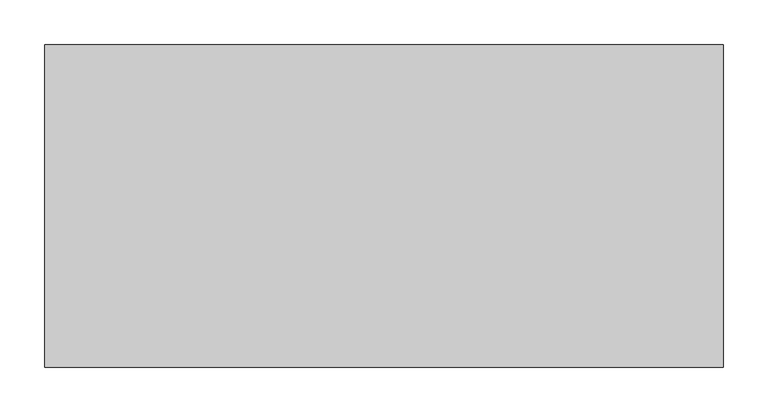
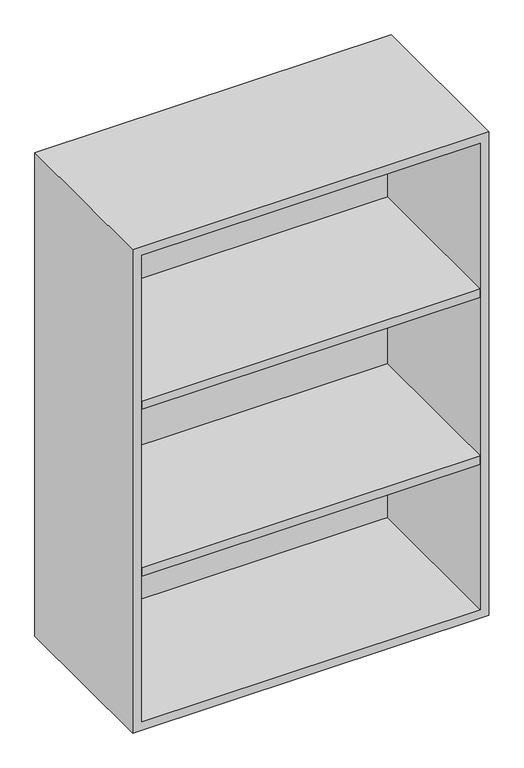
"""IFC4 building model written with IfcOpenShell, lengths in millimetres: furniture geometry."""

from ifc_helpers import new_model, si_unit, frame, origin, place, context, project, spatial, polyline, outline, extrude, source, transform, mapped, element, save


def furniture_f147453c(model_context):
    return source(origin(), model_context, "Body", "SweptSolid", [
        extrude(outline(polyline([(361.9569453, 161.925), (361.9569453, -180.975), (-361.9291641, -180.975), (-361.9291641, 161.925), (361.9569453, 161.925)])), frame((0.0, 0.0, 1461.5583333), z_axis=(0.0, 0.0, 1.0), x_axis=(1.0, 0.0, 0.0)), (0.0, 0.0, 1.0), 19.05),
        extrude(outline(polyline([(361.9569453, 161.925), (361.9569453, -180.975), (-361.9291641, -180.975), (-361.9291641, 161.925), (361.9569453, 161.925)])), frame((0.0, 0.0, 1084.7916667), z_axis=(0.0, 0.0, 1.0), x_axis=(1.0, 0.0, 0.0)), (0.0, 0.0, 1.0), 19.05),
        extrude(outline(polyline([(736.6, -380.9861094), (736.6, 381.0138906), (1828.8, 381.0138906), (1828.8, -380.9861094), (736.6, -380.9861094)]), holes=[polyline([(755.65, -361.9361094), (1809.75, -361.9361094), (1809.75, 361.9569453), (755.65, 361.9569453), (755.65, -361.9361094)])]), frame((0.0, -180.975, 0.0), z_axis=(0.0, 1.0, 0.0), x_axis=(0.0, 0.0, 1.0)), (0.0, 0.0, 1.0), 361.95),
        extrude(outline(polyline([(-361.9291641, 161.925), (-361.9291641, 180.975), (361.9569453, 180.975), (361.9569453, 161.925), (-361.9291641, 161.925)])), frame((0.0, 0.0, 755.65), z_axis=(0.0, 0.0, 1.0), x_axis=(1.0, 0.0, 0.0)), (0.0, 0.0, 1.0), 1054.1),
    ])


if __name__ == "__main__":
    model = new_model("IFC4")
    model_context = context("Model", 3, world=origin())
    ifc_project = project(units=[si_unit("LENGTHUNIT", "METRE", prefix="MILLI")], contexts=[model_context])
    site = spatial("IfcSite", under=ifc_project)
    building = spatial("IfcBuilding", under=site)
    placement = place(None, origin())
    furniture_shape = furniture_f147453c(model_context)
    element("IfcFurniture", 1, at=placement, inside=building, context=model_context, shape_type="MappedRepresentation", body=[
        mapped(furniture_shape, transform((0.0, 0.0, 0.0), x_axis=(1.0, 0.0, 0.0), y_axis=(0.0, 1.0, 0.0), z_axis=(0.0, 0.0, 1.0))),
    ])
    save(model, "model.ifc")
